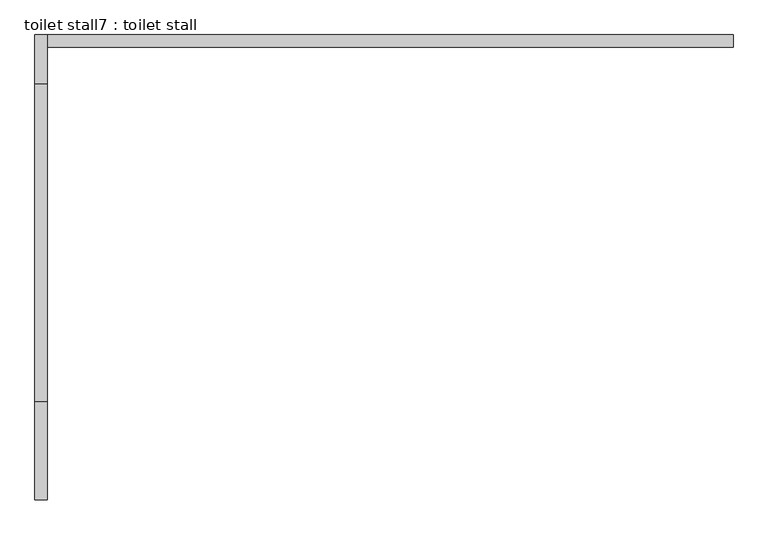
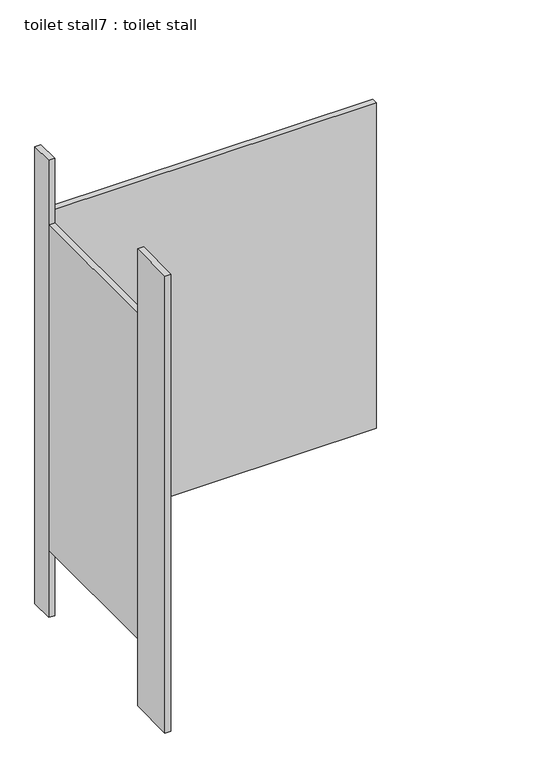
"""IFC4 building model written with IfcOpenShell, lengths in millimetres: proxy geometry, toilet stall7 : toilet stall."""

import ifcopenshell
import ifcopenshell.guid

model = None  # the IFC model being written
_history = None  # IfcOwnerHistory: only IFC2X3 demands one
_inside = {}  # id of a spatial element -> (the spatial element, [elements in it])
_under = {}  # id of a project, library or spatial element -> (it, [spatial elements below it])
_declared = {}  # id of a project -> (the project, [libraries it declares])
_typed = {}  # id of a type object -> (the type object, [elements of that type])
_made_of = {}  # id of a material, layer set ... -> (it, [elements and type objects made of it])


def new_model(schema):
    """Start an empty IFC model of exactly this schema.

    Asked for "IFC4X3", IfcOpenShell would pick the latest addendum, in which some entities
    have other attributes; the version numbers below select the first issue.
    IFC2X3 requires an IfcOwnerHistory on every rooted entity: one is made here for all.
    """
    global model, _history
    if schema == "IFC4X3":
        model = ifcopenshell.file(schema_version=(4, 3, 0, 0))
    else:
        model = ifcopenshell.file(schema=schema)
    _inside.clear()
    _under.clear()
    _declared.clear()
    _typed.clear()
    _made_of.clear()
    _history = None
    if model.schema == "IFC2X3":
        org = make("IfcOrganization", Name="unknown")
        user = make(
            "IfcPersonAndOrganization",
            ThePerson=make("IfcPerson", FamilyName="unknown"),
            TheOrganization=org,
        )
        app = make(
            "IfcApplication",
            ApplicationDeveloper=org,
            Version="unknown",
            ApplicationFullName="unknown",
            ApplicationIdentifier="unknown",
        )
        _history = make(
            "IfcOwnerHistory",
            OwningUser=user,
            OwningApplication=app,
            ChangeAction="ADDED",
            CreationDate=0,
        )
    return model


def make(cls, **values):
    """One entity of the class cls with the attributes given. An attribute that is None is left unset."""
    return model.create_entity(
        cls, **{name: value for name, value in values.items() if value is not None}
    )


def rooted(cls, **values):
    """An entity with a GlobalId (a new one), such as an element, a storey or a relation."""
    return make(cls, GlobalId=ifcopenshell.guid.new(), OwnerHistory=_history, **values)


def si_unit(unit_type, name, prefix=None):
    """IfcSIUnit, for example si_unit("LENGTHUNIT", "METRE", prefix="MILLI")."""
    return make("IfcSIUnit", UnitType=unit_type, Prefix=prefix, Name=name)


def assignment(units):
    """IfcUnitAssignment: the units of a project."""
    return None if units is None else make("IfcUnitAssignment", Units=units)


def point(xyz):
    """IfcCartesianPoint."""
    return None if xyz is None else make("IfcCartesianPoint", Coordinates=xyz)


def direction(xyz):
    """IfcDirection."""
    return None if xyz is None else make("IfcDirection", DirectionRatios=xyz)


def frame(location, z_axis=None, x_axis=None):
    """IfcAxis2Placement3D, a coordinate frame: its origin and axes. An axis left out is left unset."""
    return make(
        "IfcAxis2Placement3D",
        Location=point(location),
        Axis=direction(z_axis),
        RefDirection=direction(x_axis),
    )


def origin():
    """The frame at (0, 0, 0) with its axes left unset."""
    return frame((0.0, 0.0, 0.0))


def origin_with_axes():
    """The frame at (0, 0, 0) with the z axis (0, 0, 1) and the x axis (1, 0, 0) written out."""
    return frame((0.0, 0.0, 0.0), z_axis=(0.0, 0.0, 1.0), x_axis=(1.0, 0.0, 0.0))


def place(relative_to, where):
    """IfcLocalPlacement: puts the frame where relative to a parent placement (None: the world)."""
    return make(
        "IfcLocalPlacement", PlacementRelTo=relative_to, RelativePlacement=where
    )


def context(
    kind, dimensions, precision=None, world=None, true_north=None, identifier=None
):
    """IfcGeometricRepresentationContext, for example the 3D "Model" context."""
    return make(
        "IfcGeometricRepresentationContext",
        ContextIdentifier=identifier,
        ContextType=kind,
        CoordinateSpaceDimension=dimensions,
        Precision=precision,
        WorldCoordinateSystem=world,
        TrueNorth=true_north,
    )


def project(units=None, contexts=None):
    """IfcProject with its units and contexts."""
    return rooted(
        "IfcProject",
        Name="project",
        RepresentationContexts=contexts,
        UnitsInContext=assignment(units),
    )


def spatial(cls, under=None, at=None, **own):
    """A site, building, storey or space (cls), placed at a placement, below another one or the project."""
    s = rooted(cls, ObjectPlacement=at, **own)
    if under is not None:
        _under.setdefault(under.id(), (under, []))[1].append(s)
    return s


def polyline(points):
    """IfcPolyline through the points."""
    return make("IfcPolyline", Points=[point(p) for p in points])


def outline(outer, holes=None, kind="AREA"):
    """IfcArbitraryClosedProfileDef: a profile drawn as a closed curve; with holes, ...WithVoids."""
    if holes is None:
        return make("IfcArbitraryClosedProfileDef", ProfileType=kind, OuterCurve=outer)
    return make(
        "IfcArbitraryProfileDefWithVoids",
        ProfileType=kind,
        OuterCurve=outer,
        InnerCurves=holes,
    )


def extrude(swept, where, along, depth):
    """IfcExtrudedAreaSolid: the profile swept, set in the frame where, extruded along a direction by depth."""
    return make(
        "IfcExtrudedAreaSolid",
        SweptArea=swept,
        Position=where,
        ExtrudedDirection=direction(along),
        Depth=depth,
    )


def shape(context_of_items, identifier, shape_type, items):
    """IfcShapeRepresentation: the items that make up one representation, for example the "Body"."""
    return make(
        "IfcShapeRepresentation",
        ContextOfItems=context_of_items,
        RepresentationIdentifier=identifier,
        RepresentationType=shape_type,
        Items=items,
    )


def source(mapping_origin, context_of_items, identifier, shape_type, items):
    """IfcRepresentationMap: a shape defined once, which mapped items show again and again."""
    return make(
        "IfcRepresentationMap",
        MappingOrigin=mapping_origin,
        MappedRepresentation=shape(context_of_items, identifier, shape_type, items),
    )


def transform(
    local_origin,
    x_axis=None,
    y_axis=None,
    z_axis=None,
    scale=None,
    scale2=None,
    scale3=None,
    uniform=True,
):
    """IfcCartesianTransformationOperator3D, or its non-uniform kind. x_axis, y_axis, z_axis: its Axis1, 2, 3."""
    if uniform:
        return make(
            "IfcCartesianTransformationOperator3D",
            Axis1=direction(x_axis),
            Axis2=direction(y_axis),
            LocalOrigin=point(local_origin),
            Scale=scale,
            Axis3=direction(z_axis),
        )
    return make(
        "IfcCartesianTransformationOperator3DnonUniform",
        Axis1=direction(x_axis),
        Axis2=direction(y_axis),
        LocalOrigin=point(local_origin),
        Scale=scale,
        Axis3=direction(z_axis),
        Scale2=scale2,
        Scale3=scale3,
    )


def mapped(mapping_source, mapping_target):
    """IfcMappedItem: shows the shape of a source again, moved by a transform."""
    return make(
        "IfcMappedItem", MappingSource=mapping_source, MappingTarget=mapping_target
    )


def made_of(thing, what):
    """Note that an element or type object is made of a material, layer set ...; save() writes the relation."""
    if what is not None:
        _made_of.setdefault(what.id(), (what, []))[1].append(thing)
    return thing


def element(
    cls,
    number,
    at=None,
    inside=None,
    cuts=None,
    type_object=None,
    material=None,
    context=None,
    identifier="Body",
    shape_type=None,
    held_by="IfcProductDefinitionShape",
    body=None,
    shapes=None,
    **own,
):
    """One element of the class cls, such as IfcWall. Its Tag is "e" and its number.

    at: its placement. inside: the storey or other place that contains it. cuts: it is an
    opening in that element (IfcRelVoidsElement). A single representation is given by context,
    identifier, shape_type and body (its items); several are given by shapes. held_by: the class
    of the entity that holds the representations. save() writes the other relations.
    """
    e = rooted(cls, Tag="e%d" % number, ObjectPlacement=at, **own)
    if body is not None:
        shapes = [shape(context, identifier, shape_type, body)]
    if shapes is not None:
        e.Representation = make(held_by, Representations=shapes)
    if inside is not None:
        _inside.setdefault(inside.id(), (inside, []))[1].append(e)
    if cuts is not None:
        rooted(
            "IfcRelVoidsElement", RelatingBuildingElement=cuts, RelatedOpeningElement=e
        )
    if type_object is not None:
        _typed.setdefault(type_object.id(), (type_object, []))[1].append(e)
    return made_of(e, material)


def aggregate(whole, parts):
    """IfcRelAggregates: a whole, such as a stair, and the parts it consists of."""
    return rooted("IfcRelAggregates", RelatingObject=whole, RelatedObjects=parts)


def save(model, path):
    """Write the relations noted so far, then the file.

    IfcRelAggregates (storeys below a building ...), IfcRelContainedInSpatialStructure (elements
    in a storey), IfcRelDefinesByType, IfcRelAssociatesMaterial and IfcRelDeclares: one each for
    every whole, place, type object, material and project.
    """
    for whole, parts in _under.values():
        aggregate(whole, parts)
    for where, things in _inside.values():
        rooted(
            "IfcRelContainedInSpatialStructure",
            RelatedElements=things,
            RelatingStructure=where,
        )
    for kind, things in _typed.values():
        rooted("IfcRelDefinesByType", RelatedObjects=things, RelatingType=kind)
    for what, things in _made_of.values():
        rooted("IfcRelAssociatesMaterial", RelatedObjects=things, RelatingMaterial=what)
    for by, libraries in _declared.values():
        rooted("IfcRelDeclares", RelatingContext=by, RelatedDefinitions=libraries)
    model.write(path)


def toilet_stall7_toilet_stall_c176ab3a(model_context):
    return source(origin(), model_context, "Body", "SweptSolid", [
        extrude(outline(polyline([(457706.2004676, -331137.4330223), (457706.2004676, -331340.6330223), (457680.8004676, -331340.6330223), (457680.8004676, -331137.4330223), (457706.2004676, -331137.4330223)])), origin_with_axes(), (0.0, 0.0, 1.0), 2070.1),
        extrude(outline(polyline([(457706.2004676, -330375.4330223), (457706.2004676, -330477.0330223), (457680.8004676, -330477.0330223), (457680.8004676, -330375.4330223), (457706.2004676, -330375.4330223)])), origin_with_axes(), (0.0, 0.0, 1.0), 2070.1),
        extrude(outline(polyline([(457706.2004676, -330375.4330223), (459128.6004676, -330375.4330223), (459128.6004676, -330400.8330223), (457706.2004676, -330400.8330223), (457706.2004676, -330375.4330223)])), frame((0.0, 0.0, 304.8), z_axis=(0.0, 0.0, 1.0), x_axis=(1.0, 0.0, 0.0)), (0.0, 0.0, 1.0), 1473.2),
        extrude(outline(polyline([(457706.2004676, -330477.0330223), (457706.2004676, -331137.4330223), (457680.8004676, -331137.4330223), (457680.8004676, -330477.0330223), (457706.2004676, -330477.0330223)])), frame((0.0, 0.0, 304.8), z_axis=(0.0, 0.0, 1.0), x_axis=(1.0, 0.0, 0.0)), (0.0, 0.0, 1.0), 1473.2),
    ])


if __name__ == "__main__":
    model = new_model("IFC4")
    model_context = context("Model", 3, world=origin())
    ifc_project = project(units=[si_unit("LENGTHUNIT", "METRE", prefix="MILLI")], contexts=[model_context])
    site = spatial("IfcSite", under=ifc_project)
    building = spatial("IfcBuilding", under=site)
    placement = place(None, origin())
    toilet_stall7_toilet_stall_shape = toilet_stall7_toilet_stall_c176ab3a(model_context)
    element("IfcBuildingElementProxy", 1, Name="toilet stall7 : toilet stall", ObjectType="toilet stall7 : toilet stall", at=placement, inside=building, context=model_context, shape_type="MappedRepresentation", body=[
        mapped(toilet_stall7_toilet_stall_shape, transform((0.0, 0.0, 0.0), x_axis=(1.0, 0.0, 0.0), y_axis=(0.0, 1.0, 0.0), z_axis=(0.0, 0.0, 1.0))),
    ])
    save(model, "model.ifc")
